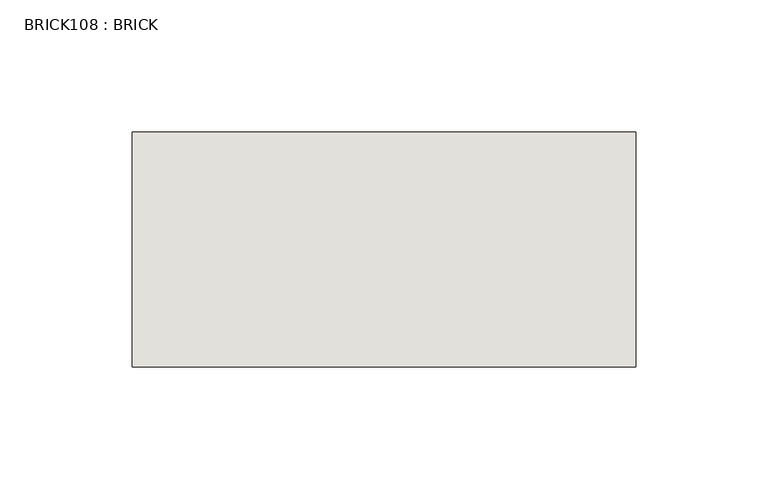
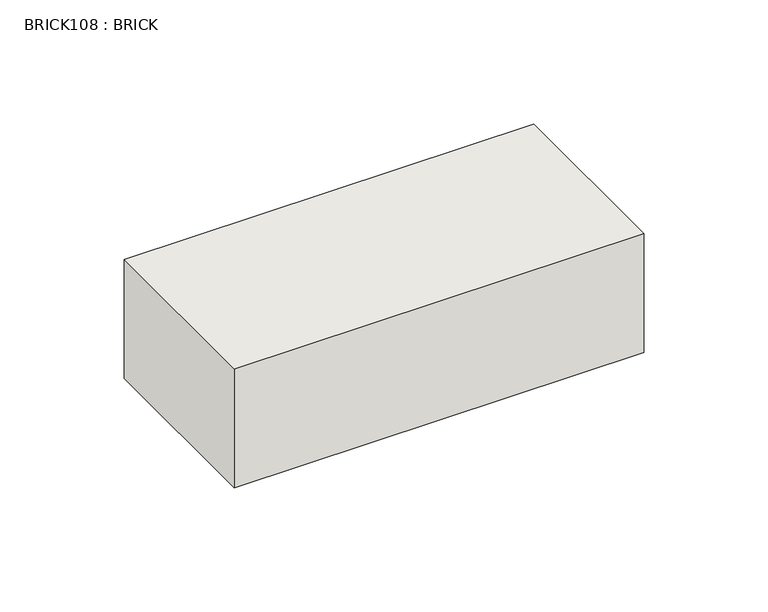
"""IFC4 building model written with IfcOpenShell, lengths in millimetres: wall geometry, BRICK108 : BRICK."""

import ifcopenshell
import ifcopenshell.guid

model = None  # the IFC model being written
_history = None  # IfcOwnerHistory: only IFC2X3 demands one
_inside = {}  # id of a spatial element -> (the spatial element, [elements in it])
_under = {}  # id of a project, library or spatial element -> (it, [spatial elements below it])
_declared = {}  # id of a project -> (the project, [libraries it declares])
_typed = {}  # id of a type object -> (the type object, [elements of that type])
_made_of = {}  # id of a material, layer set ... -> (it, [elements and type objects made of it])


def new_model(schema):
    """Start an empty IFC model of exactly this schema.

    Asked for "IFC4X3", IfcOpenShell would pick the latest addendum, in which some entities
    have other attributes; the version numbers below select the first issue.
    IFC2X3 requires an IfcOwnerHistory on every rooted entity: one is made here for all.
    """
    global model, _history
    if schema == "IFC4X3":
        model = ifcopenshell.file(schema_version=(4, 3, 0, 0))
    else:
        model = ifcopenshell.file(schema=schema)
    _inside.clear()
    _under.clear()
    _declared.clear()
    _typed.clear()
    _made_of.clear()
    _history = None
    if model.schema == "IFC2X3":
        org = make("IfcOrganization", Name="unknown")
        user = make(
            "IfcPersonAndOrganization",
            ThePerson=make("IfcPerson", FamilyName="unknown"),
            TheOrganization=org,
        )
        app = make(
            "IfcApplication",
            ApplicationDeveloper=org,
            Version="unknown",
            ApplicationFullName="unknown",
            ApplicationIdentifier="unknown",
        )
        _history = make(
            "IfcOwnerHistory",
            OwningUser=user,
            OwningApplication=app,
            ChangeAction="ADDED",
            CreationDate=0,
        )
    return model


def make(cls, **values):
    """One entity of the class cls with the attributes given. An attribute that is None is left unset."""
    return model.create_entity(
        cls, **{name: value for name, value in values.items() if value is not None}
    )


def rooted(cls, **values):
    """An entity with a GlobalId (a new one), such as an element, a storey or a relation."""
    return make(cls, GlobalId=ifcopenshell.guid.new(), OwnerHistory=_history, **values)


def si_unit(unit_type, name, prefix=None):
    """IfcSIUnit, for example si_unit("LENGTHUNIT", "METRE", prefix="MILLI")."""
    return make("IfcSIUnit", UnitType=unit_type, Prefix=prefix, Name=name)


def assignment(units):
    """IfcUnitAssignment: the units of a project."""
    return None if units is None else make("IfcUnitAssignment", Units=units)


def point(xyz):
    """IfcCartesianPoint."""
    return None if xyz is None else make("IfcCartesianPoint", Coordinates=xyz)


def direction(xyz):
    """IfcDirection."""
    return None if xyz is None else make("IfcDirection", DirectionRatios=xyz)


def frame(location, z_axis=None, x_axis=None):
    """IfcAxis2Placement3D, a coordinate frame: its origin and axes. An axis left out is left unset."""
    return make(
        "IfcAxis2Placement3D",
        Location=point(location),
        Axis=direction(z_axis),
        RefDirection=direction(x_axis),
    )


def origin():
    """The frame at (0, 0, 0) with its axes left unset."""
    return frame((0.0, 0.0, 0.0))


def place(relative_to, where):
    """IfcLocalPlacement: puts the frame where relative to a parent placement (None: the world)."""
    return make(
        "IfcLocalPlacement", PlacementRelTo=relative_to, RelativePlacement=where
    )


def context(
    kind, dimensions, precision=None, world=None, true_north=None, identifier=None
):
    """IfcGeometricRepresentationContext, for example the 3D "Model" context."""
    return make(
        "IfcGeometricRepresentationContext",
        ContextIdentifier=identifier,
        ContextType=kind,
        CoordinateSpaceDimension=dimensions,
        Precision=precision,
        WorldCoordinateSystem=world,
        TrueNorth=true_north,
    )


def project(units=None, contexts=None):
    """IfcProject with its units and contexts."""
    return rooted(
        "IfcProject",
        Name="project",
        RepresentationContexts=contexts,
        UnitsInContext=assignment(units),
    )


def spatial(cls, under=None, at=None, **own):
    """A site, building, storey or space (cls), placed at a placement, below another one or the project."""
    s = rooted(cls, ObjectPlacement=at, **own)
    if under is not None:
        _under.setdefault(under.id(), (under, []))[1].append(s)
    return s


def polyline(points):
    """IfcPolyline through the points."""
    return make("IfcPolyline", Points=[point(p) for p in points])


def outline(outer, holes=None, kind="AREA"):
    """IfcArbitraryClosedProfileDef: a profile drawn as a closed curve; with holes, ...WithVoids."""
    if holes is None:
        return make("IfcArbitraryClosedProfileDef", ProfileType=kind, OuterCurve=outer)
    return make(
        "IfcArbitraryProfileDefWithVoids",
        ProfileType=kind,
        OuterCurve=outer,
        InnerCurves=holes,
    )


def extrude(swept, where, along, depth):
    """IfcExtrudedAreaSolid: the profile swept, set in the frame where, extruded along a direction by depth."""
    return make(
        "IfcExtrudedAreaSolid",
        SweptArea=swept,
        Position=where,
        ExtrudedDirection=direction(along),
        Depth=depth,
    )


def shape(context_of_items, identifier, shape_type, items):
    """IfcShapeRepresentation: the items that make up one representation, for example the "Body"."""
    return make(
        "IfcShapeRepresentation",
        ContextOfItems=context_of_items,
        RepresentationIdentifier=identifier,
        RepresentationType=shape_type,
        Items=items,
    )


def source(mapping_origin, context_of_items, identifier, shape_type, items):
    """IfcRepresentationMap: a shape defined once, which mapped items show again and again."""
    return make(
        "IfcRepresentationMap",
        MappingOrigin=mapping_origin,
        MappedRepresentation=shape(context_of_items, identifier, shape_type, items),
    )


def transform(
    local_origin,
    x_axis=None,
    y_axis=None,
    z_axis=None,
    scale=None,
    scale2=None,
    scale3=None,
    uniform=True,
):
    """IfcCartesianTransformationOperator3D, or its non-uniform kind. x_axis, y_axis, z_axis: its Axis1, 2, 3."""
    if uniform:
        return make(
            "IfcCartesianTransformationOperator3D",
            Axis1=direction(x_axis),
            Axis2=direction(y_axis),
            LocalOrigin=point(local_origin),
            Scale=scale,
            Axis3=direction(z_axis),
        )
    return make(
        "IfcCartesianTransformationOperator3DnonUniform",
        Axis1=direction(x_axis),
        Axis2=direction(y_axis),
        LocalOrigin=point(local_origin),
        Scale=scale,
        Axis3=direction(z_axis),
        Scale2=scale2,
        Scale3=scale3,
    )


def mapped(mapping_source, mapping_target):
    """IfcMappedItem: shows the shape of a source again, moved by a transform."""
    return make(
        "IfcMappedItem", MappingSource=mapping_source, MappingTarget=mapping_target
    )


def made_of(thing, what):
    """Note that an element or type object is made of a material, layer set ...; save() writes the relation."""
    if what is not None:
        _made_of.setdefault(what.id(), (what, []))[1].append(thing)
    return thing


def element(
    cls,
    number,
    at=None,
    inside=None,
    cuts=None,
    type_object=None,
    material=None,
    context=None,
    identifier="Body",
    shape_type=None,
    held_by="IfcProductDefinitionShape",
    body=None,
    shapes=None,
    **own,
):
    """One element of the class cls, such as IfcWall. Its Tag is "e" and its number.

    at: its placement. inside: the storey or other place that contains it. cuts: it is an
    opening in that element (IfcRelVoidsElement). A single representation is given by context,
    identifier, shape_type and body (its items); several are given by shapes. held_by: the class
    of the entity that holds the representations. save() writes the other relations.
    """
    e = rooted(cls, Tag="e%d" % number, ObjectPlacement=at, **own)
    if body is not None:
        shapes = [shape(context, identifier, shape_type, body)]
    if shapes is not None:
        e.Representation = make(held_by, Representations=shapes)
    if inside is not None:
        _inside.setdefault(inside.id(), (inside, []))[1].append(e)
    if cuts is not None:
        rooted(
            "IfcRelVoidsElement", RelatingBuildingElement=cuts, RelatedOpeningElement=e
        )
    if type_object is not None:
        _typed.setdefault(type_object.id(), (type_object, []))[1].append(e)
    return made_of(e, material)


def aggregate(whole, parts):
    """IfcRelAggregates: a whole, such as a stair, and the parts it consists of."""
    return rooted("IfcRelAggregates", RelatingObject=whole, RelatedObjects=parts)


def save(model, path):
    """Write the relations noted so far, then the file.

    IfcRelAggregates (storeys below a building ...), IfcRelContainedInSpatialStructure (elements
    in a storey), IfcRelDefinesByType, IfcRelAssociatesMaterial and IfcRelDeclares: one each for
    every whole, place, type object, material and project.
    """
    for whole, parts in _under.values():
        aggregate(whole, parts)
    for where, things in _inside.values():
        rooted(
            "IfcRelContainedInSpatialStructure",
            RelatedElements=things,
            RelatingStructure=where,
        )
    for kind, things in _typed.values():
        rooted("IfcRelDefinesByType", RelatedObjects=things, RelatingType=kind)
    for what, things in _made_of.values():
        rooted("IfcRelAssociatesMaterial", RelatedObjects=things, RelatingMaterial=what)
    for by, libraries in _declared.values():
        rooted("IfcRelDeclares", RelatingContext=by, RelatedDefinitions=libraries)
    model.write(path)


def brick108_brick_e03713b6(model_context):
    return source(origin(), model_context, "Body", "SweptSolid", [
        extrude(outline(polyline([(935.3272594, 2586.2274125), (1125.8272594, 2586.2274125), (1125.8272594, 2497.3274125), (935.3272594, 2497.3274125), (935.3272594, 2586.2274125)])), frame((0.0, 0.0, 4.1671875), z_axis=(0.0, 0.0, 1.0), x_axis=(1.0, 0.0, 0.0)), (0.0, 0.0, 1.0), 58.4398437),
    ])


if __name__ == "__main__":
    model = new_model("IFC4")
    model_context = context("Model", 3, world=origin())
    ifc_project = project(units=[si_unit("LENGTHUNIT", "METRE", prefix="MILLI")], contexts=[model_context])
    site = spatial("IfcSite", under=ifc_project)
    building = spatial("IfcBuilding", under=site)
    placement = place(None, origin())
    brick108_brick_shape = brick108_brick_e03713b6(model_context)
    element("IfcWall", 1, ObjectType="BRICK108 : BRICK", at=placement, inside=building, context=model_context, shape_type="MappedRepresentation", body=[
        mapped(brick108_brick_shape, transform((0.0, 0.0, 0.0), x_axis=(1.0, 0.0, 0.0), y_axis=(0.0, 1.0, 0.0), z_axis=(0.0, 0.0, 1.0))),
    ])
    save(model, "model.ifc")
